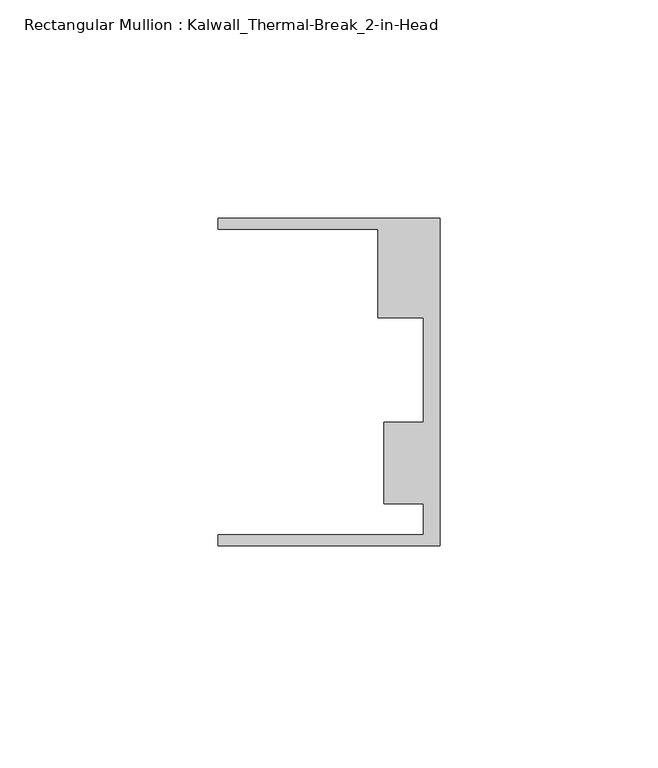
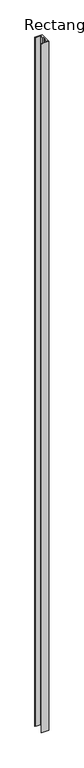
"""IFC4 building model written with IfcOpenShell, lengths in millimetres: member geometry, Rectangular Mullion : Kalwall_Thermal-Break_2-in-Head."""

from ifc_helpers import new_model, si_unit, frame, origin, place, context, project, spatial, polyline, outline, extrude, source, transform, mapped, element, save


def rectangular_mullion_kalwall_thermal_break_2_in_head_c1a65e2e(model_context):
    return source(origin(), model_context, "Body", "SweptSolid", [
        extrude(outline(polyline([(0.0, -37.5776386), (-50.8, -37.5776386), (-50.8, -35.0376386), (-3.7084, -35.0376386), (-3.7084, -27.8888568), (-12.8272539, -27.8888568), (-12.8272539, -9.1879886), (-3.7084, -9.1879886), (-3.7084, 14.7439614), (-14.1732, 14.7439614), (-14.1732, 34.9623614), (-50.8, 34.9623614), (-50.8, 37.5023614), (0.0, 37.5023614), (0.0, -37.5776386)])), frame((0.0, 0.0, -4927.6), z_axis=(0.0, 0.0, 1.0), x_axis=(1.0, 0.0, 0.0)), (0.0, 0.0, 1.0), 4927.6),
    ])


if __name__ == "__main__":
    model = new_model("IFC4")
    model_context = context("Model", 3, world=origin())
    ifc_project = project(units=[si_unit("LENGTHUNIT", "METRE", prefix="MILLI")], contexts=[model_context])
    site = spatial("IfcSite", under=ifc_project)
    building = spatial("IfcBuilding", under=site)
    placement = place(None, origin())
    rectangular_mullion_kalwall_thermal_break_2_in_head_shape = rectangular_mullion_kalwall_thermal_break_2_in_head_c1a65e2e(model_context)
    element("IfcMember", 1, ObjectType="Rectangular Mullion : Kalwall_Thermal-Break_2-in-Head", at=placement, inside=building, context=model_context, shape_type="MappedRepresentation", body=[
        mapped(rectangular_mullion_kalwall_thermal_break_2_in_head_shape, transform((0.0, 0.0, 0.0), x_axis=(1.0, 0.0, 0.0), y_axis=(0.0, 1.0, 0.0), z_axis=(0.0, 0.0, 1.0))),
    ])
    save(model, "model.ifc")
